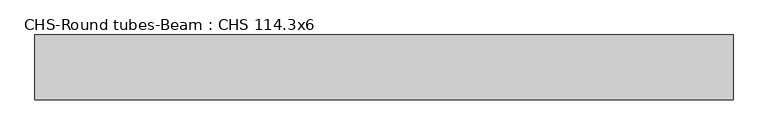
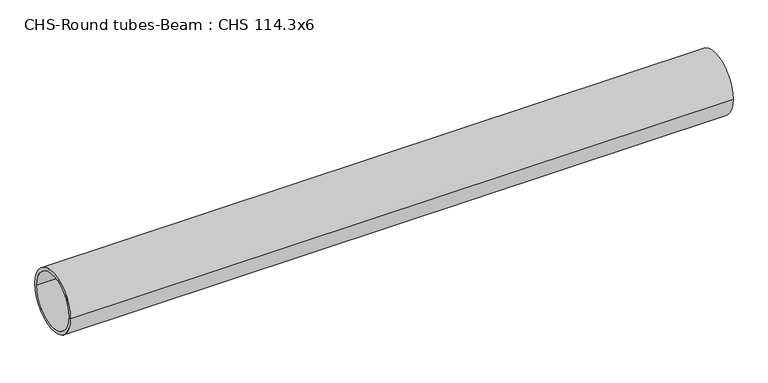
"""IFC4 building model written with IfcOpenShell, lengths in millimetres: beam geometry, CHS-Round tubes-Beam : CHS 114.3x6."""

from ifc_helpers import new_model, si_unit, point, frame, origin, origin_2d, place, context, project, spatial, circle_curve, trimmed, segment, composite_curve, outline, extrude, source, transform, mapped, element, save


def chs_round_tubes_beam_chs_114_3x6_7db8b984(model_context):
    return source(origin(), model_context, "Body", "SweptSolid", [
        extrude(outline(composite_curve([segment(trimmed(circle_curve(origin_2d(), 57.15), [point((57.15, 0.0))], [point((-57.15, 0.0))], False, "CARTESIAN"), True, "CONTINUOUS"), segment(trimmed(circle_curve(origin_2d(), 57.15), [point((-57.15, 0.0))], [point((57.15, 0.0))], False, "CARTESIAN"), True, "CONTINUOUS")], self_intersect=False), holes=[composite_curve([segment(trimmed(circle_curve(origin_2d(), 51.15), [point((51.15, 0.0))], [point((-51.15, 0.0))], True, "CARTESIAN"), True, "CONTINUOUS"), segment(trimmed(circle_curve(origin_2d(), 51.15), [point((-51.15, 0.0))], [point((51.15, 0.0))], True, "CARTESIAN"), True, "CONTINUOUS")], self_intersect=False)]), frame((-615.9284676, 0.0, 0.0), z_axis=(1.0, 0.0, 0.0), x_axis=(0.0, 1.0, 0.0)), (0.0, 0.0, 1.0), 1231.8542837),
    ])


if __name__ == "__main__":
    model = new_model("IFC4")
    model_context = context("Model", 3, world=origin())
    ifc_project = project(units=[si_unit("LENGTHUNIT", "METRE", prefix="MILLI")], contexts=[model_context])
    site = spatial("IfcSite", under=ifc_project)
    building = spatial("IfcBuilding", under=site)
    placement = place(None, origin())
    chs_round_tubes_beam_chs_114_3x6_shape = chs_round_tubes_beam_chs_114_3x6_7db8b984(model_context)
    element("IfcBeam", 1, ObjectType="CHS-Round tubes-Beam : CHS 114.3x6", at=placement, inside=building, context=model_context, shape_type="MappedRepresentation", body=[
        mapped(chs_round_tubes_beam_chs_114_3x6_shape, transform((0.0, 0.0, 0.0), x_axis=(1.0, 0.0, 0.0), y_axis=(0.0, 1.0, 0.0), z_axis=(0.0, 0.0, 1.0))),
    ])
    save(model, "model.ifc")
